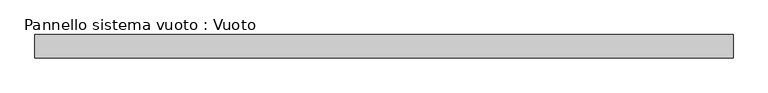
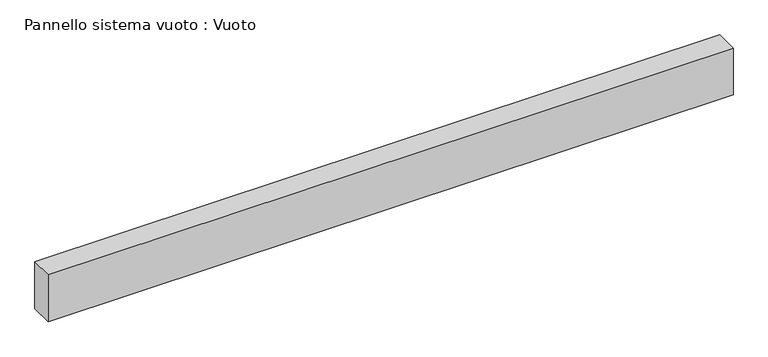
"""IFC4 building model written with IfcOpenShell, lengths in millimetres: plate geometry, Pannello sistema vuoto : Vuoto."""

from ifc_helpers import new_model, si_unit, origin, origin_with_axes, place, context, project, spatial, polyline, outline, extrude, source, transform, mapped, element, save


def pannello_sistema_vuoto_vuoto_7b3a0f8b(model_context):
    return source(origin(), model_context, "Body", "SweptSolid", [
        extrude(outline(polyline([(1500.0, -50.0), (-1500.0, -50.0), (-1500.0, 50.0), (1500.0, 50.0), (1500.0, -50.0)])), origin_with_axes(), (0.0, 0.0, 1.0), 216.7972523),
    ])


if __name__ == "__main__":
    model = new_model("IFC4")
    model_context = context("Model", 3, world=origin())
    ifc_project = project(units=[si_unit("LENGTHUNIT", "METRE", prefix="MILLI")], contexts=[model_context])
    site = spatial("IfcSite", under=ifc_project)
    building = spatial("IfcBuilding", under=site)
    placement = place(None, origin())
    pannello_sistema_vuoto_vuoto_shape = pannello_sistema_vuoto_vuoto_7b3a0f8b(model_context)
    element("IfcPlate", 1, ObjectType="Pannello sistema vuoto : Vuoto", at=placement, inside=building, context=model_context, shape_type="MappedRepresentation", body=[
        mapped(pannello_sistema_vuoto_vuoto_shape, transform((0.0, 0.0, 0.0), x_axis=(1.0, 0.0, 0.0), y_axis=(0.0, 1.0, 0.0), z_axis=(0.0, 0.0, 1.0))),
    ])
    save(model, "model.ifc")
